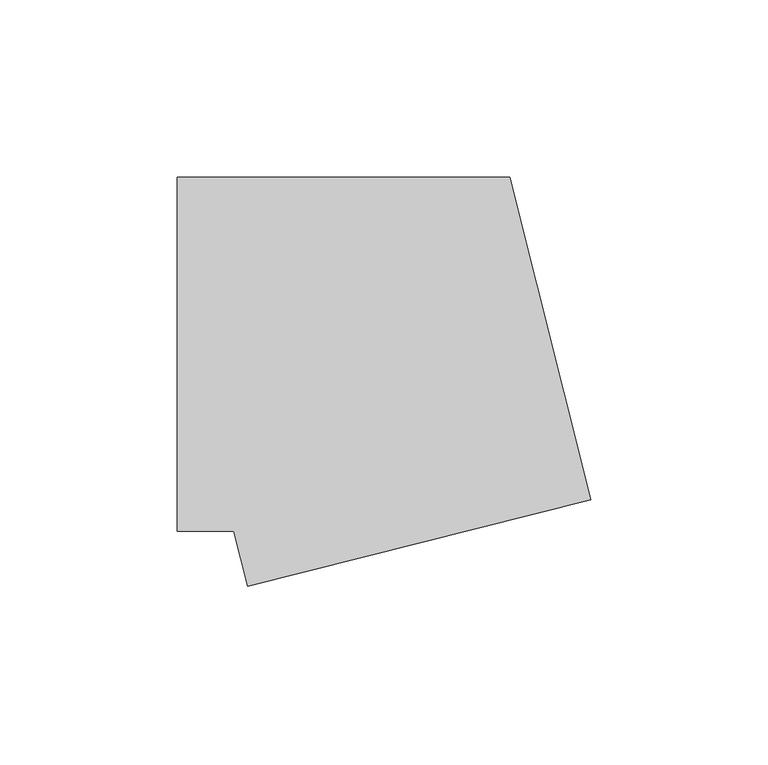
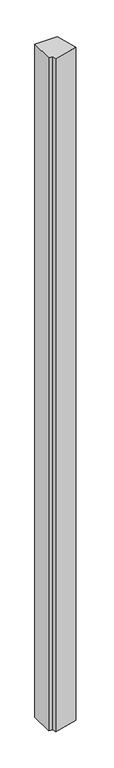
"""IFC4 building model written with IfcOpenShell, lengths in millimetres: member geometry."""

from ifc_helpers import new_model, si_unit, frame, origin, place, context, project, spatial, polyline, outline, extrude, source, transform, mapped, element, save


def member_fc37e4f9(model_context):
    return source(origin(), model_context, "Body", "SweptSolid", [
        extrude(outline(polyline([(-35.0815741, -65.5307802), (-38.9859628, -50.0), (-55.0, -50.0), (-55.0, 50.0), (38.9859628, 50.0), (61.9007176, -41.1497407), (-35.0815741, -65.5307802)])), frame((0.0, 0.0, -2966.9289604), z_axis=(0.0, 0.0, 1.0), x_axis=(1.0, 0.0, 0.0)), (0.0, 0.0, 1.0), 2966.9289604),
    ])


if __name__ == "__main__":
    model = new_model("IFC4")
    model_context = context("Model", 3, world=origin())
    ifc_project = project(units=[si_unit("LENGTHUNIT", "METRE", prefix="MILLI")], contexts=[model_context])
    site = spatial("IfcSite", under=ifc_project)
    building = spatial("IfcBuilding", under=site)
    placement = place(None, origin())
    member_shape = member_fc37e4f9(model_context)
    element("IfcMember", 1, at=placement, inside=building, context=model_context, shape_type="MappedRepresentation", body=[
        mapped(member_shape, transform((0.0, 0.0, 0.0), x_axis=(1.0, 0.0, 0.0), y_axis=(0.0, 1.0, 0.0), z_axis=(0.0, 0.0, 1.0))),
    ])
    save(model, "model.ifc")
